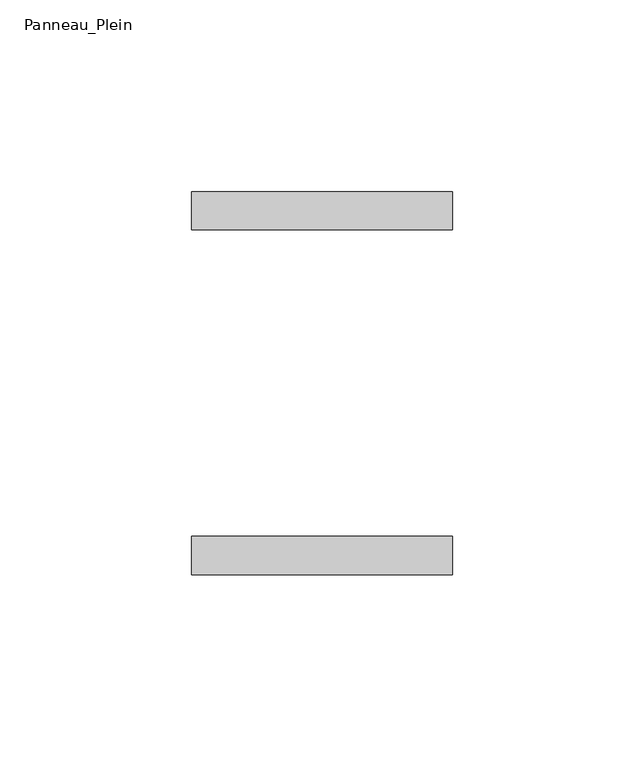
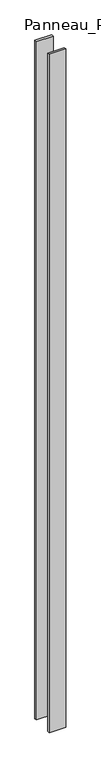
"""IFC4 building model written with IfcOpenShell, lengths in millimetres: plate geometry, Panneau_Plein."""

from ifc_helpers import new_model, si_unit, origin, origin_with_axes, place, context, project, spatial, polyline, outline, extrude, source, transform, mapped, element, save


def panneau_plein_cfe9ce6b(model_context):
    return source(origin(), model_context, "Body", "SweptSolid", [
        extrude(outline(polyline([(34.1248906, 50.0), (34.1248906, 40.0), (-34.1248906, 40.0), (-34.1248906, 50.0), (34.1248906, 50.0)])), origin_with_axes(), (0.0, 0.0, 1.0), 2930.3804804),
        extrude(outline(polyline([(34.1248906, -40.0), (34.1248906, -50.0), (-34.1248906, -50.0), (-34.1248906, -40.0), (34.1248906, -40.0)])), origin_with_axes(), (0.0, 0.0, 1.0), 2930.3804804),
    ])


if __name__ == "__main__":
    model = new_model("IFC4")
    model_context = context("Model", 3, world=origin())
    ifc_project = project(units=[si_unit("LENGTHUNIT", "METRE", prefix="MILLI")], contexts=[model_context])
    site = spatial("IfcSite", under=ifc_project)
    building = spatial("IfcBuilding", under=site)
    placement = place(None, origin())
    panneau_plein_shape = panneau_plein_cfe9ce6b(model_context)
    element("IfcPlate", 1, ObjectType="Panneau_Plein", at=placement, inside=building, context=model_context, shape_type="MappedRepresentation", body=[
        mapped(panneau_plein_shape, transform((0.0, 0.0, 0.0), x_axis=(1.0, 0.0, 0.0), y_axis=(0.0, 1.0, 0.0), z_axis=(0.0, 0.0, 1.0))),
    ])
    save(model, "model.ifc")
